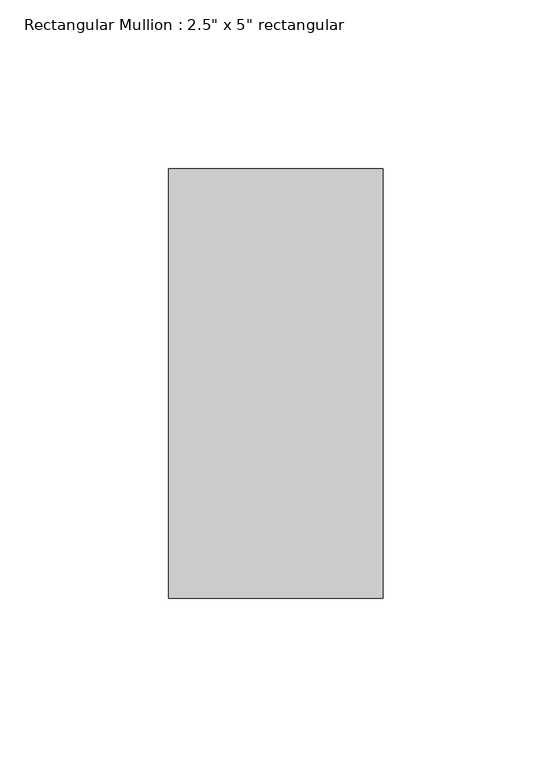
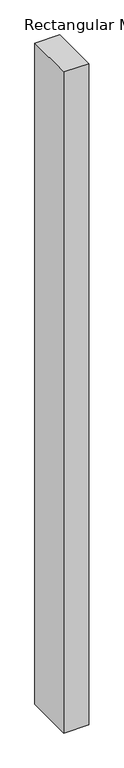
"""IFC4 building model written with IfcOpenShell, lengths in millimetres: member geometry."""

from ifc_helpers import new_model, si_unit, frame, origin, place, context, project, spatial, polyline, outline, extrude, source, transform, mapped, element, save


def member_e97ac6c9(model_context):
    return source(origin(), model_context, "Body", "SweptSolid", [
        extrude(outline(polyline([(0.0, 63.5), (0.0, -63.5), (-63.5, -63.5), (-63.5, 63.5), (0.0, 63.5)])), frame((0.0, 0.0, -1778.0), z_axis=(0.0, 0.0, 1.0), x_axis=(1.0, 0.0, 0.0)), (0.0, 0.0, 1.0), 1778.0),
    ])


if __name__ == "__main__":
    model = new_model("IFC4")
    model_context = context("Model", 3, world=origin())
    ifc_project = project(units=[si_unit("LENGTHUNIT", "METRE", prefix="MILLI")], contexts=[model_context])
    site = spatial("IfcSite", under=ifc_project)
    building = spatial("IfcBuilding", under=site)
    placement = place(None, origin())
    member_shape = member_e97ac6c9(model_context)
    element("IfcMember", 1, ObjectType="Rectangular Mullion : 2.5\" x 5\" rectangular", at=placement, inside=building, context=model_context, shape_type="MappedRepresentation", body=[
        mapped(member_shape, transform((0.0, 0.0, 0.0), x_axis=(1.0, 0.0, 0.0), y_axis=(0.0, 1.0, 0.0), z_axis=(0.0, 0.0, 1.0))),
    ])
    save(model, "model.ifc")
